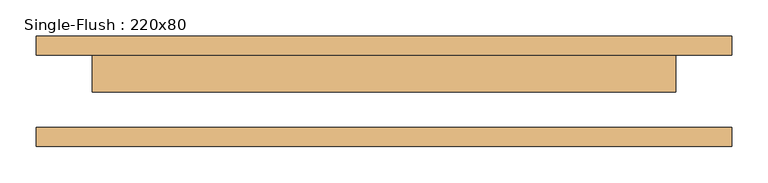
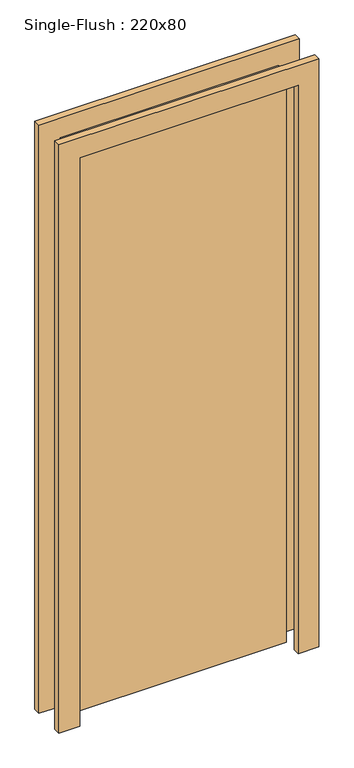
"""IFC4 building model written with IfcOpenShell, lengths in millimetres: door geometry, Single-Flush : 220x80."""

from ifc_helpers import new_model, si_unit, frame, origin, origin_with_axes, place, context, project, spatial, polyline, outline, extrude, source, transform, mapped, element, save


def single_flush_220x80_6a93c3d9(model_context):
    return source(origin(), model_context, "Body", "SweptSolid", [
        extrude(outline(polyline([(2276.2, -476.2), (0.0, -476.2), (0.0, -400.0), (2200.0, -400.0), (2200.0, 400.0), (0.0, 400.0), (0.0, 476.2), (2276.2, 476.2), (2276.2, -476.2)])), frame((0.0, 50.0, 0.0), z_axis=(0.0, 1.0, 0.0), x_axis=(0.0, 0.0, 1.0)), (0.0, 0.0, 1.0), 25.4),
        extrude(outline(polyline([(2276.2, 476.2), (2276.2, -476.2), (0.0, -476.2), (0.0, -400.0), (2200.0, -400.0), (2200.0, 400.0), (0.0, 400.0), (0.0, 476.2), (2276.2, 476.2)])), frame((0.0, -75.4, 0.0), z_axis=(0.0, 1.0, 0.0), x_axis=(0.0, 0.0, 1.0)), (0.0, 0.0, 1.0), 25.4),
        extrude(outline(polyline([(400.0, -0.8), (-400.0, -0.8), (-400.0, 50.0), (400.0, 50.0), (400.0, -0.8)])), origin_with_axes(), (0.0, 0.0, 1.0), 2200.0),
    ])


if __name__ == "__main__":
    model = new_model("IFC4")
    model_context = context("Model", 3, world=origin())
    ifc_project = project(units=[si_unit("LENGTHUNIT", "METRE", prefix="MILLI")], contexts=[model_context])
    site = spatial("IfcSite", under=ifc_project)
    building = spatial("IfcBuilding", under=site)
    placement = place(None, origin())
    single_flush_220x80_shape = single_flush_220x80_6a93c3d9(model_context)
    element("IfcDoor", 1, ObjectType="Single-Flush : 220x80", at=placement, inside=building, context=model_context, shape_type="MappedRepresentation", body=[
        mapped(single_flush_220x80_shape, transform((0.0, 0.0, 0.0), x_axis=(1.0, 0.0, 0.0), y_axis=(0.0, 1.0, 0.0), z_axis=(0.0, 0.0, 1.0))),
    ])
    save(model, "model.ifc")
